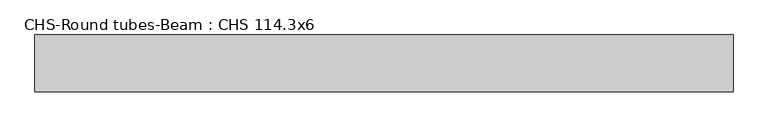
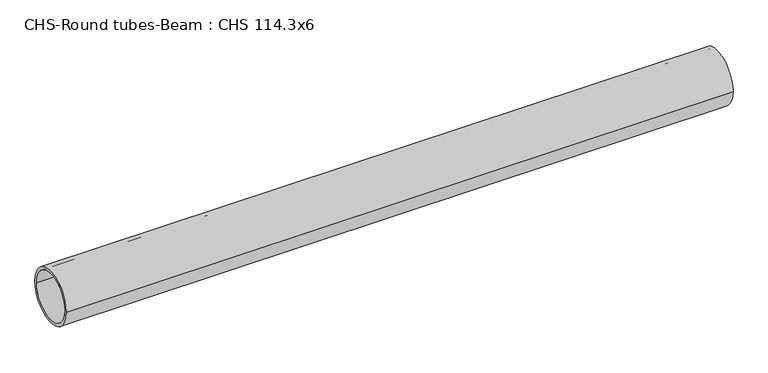
"""IFC4 building model written with IfcOpenShell, lengths in millimetres: beam geometry, CHS-Round tubes-Beam : CHS 114.3x6."""

from ifc_helpers import new_model, si_unit, point, frame, origin, origin_2d, place, context, project, spatial, circle_curve, trimmed, segment, composite_curve, outline, extrude, source, transform, mapped, element, save


def chs_round_tubes_beam_chs_114_3x6_1c967b22(model_context):
    return source(origin(), model_context, "Body", "SweptSolid", [
        extrude(outline(composite_curve([segment(trimmed(circle_curve(origin_2d(), 57.15), [point((57.15, 0.0))], [point((-57.15, 0.0))], False, "CARTESIAN"), True, "CONTINUOUS"), segment(trimmed(circle_curve(origin_2d(), 57.15), [point((-57.15, 0.0))], [point((57.15, 0.0))], False, "CARTESIAN"), True, "CONTINUOUS")], self_intersect=False), holes=[composite_curve([segment(trimmed(circle_curve(origin_2d(), 51.15), [point((51.15, 0.0))], [point((-51.15, 0.0))], True, "CARTESIAN"), True, "CONTINUOUS"), segment(trimmed(circle_curve(origin_2d(), 51.15), [point((-51.15, 0.0))], [point((51.15, 0.0))], True, "CARTESIAN"), True, "CONTINUOUS")], self_intersect=False)]), frame((-700.9438624, 0.0, 0.0), z_axis=(1.0, 0.0, 0.0), x_axis=(0.0, 1.0, 0.0)), (0.0, 0.0, 1.0), 1401.8097228),
    ])


if __name__ == "__main__":
    model = new_model("IFC4")
    model_context = context("Model", 3, world=origin())
    ifc_project = project(units=[si_unit("LENGTHUNIT", "METRE", prefix="MILLI")], contexts=[model_context])
    site = spatial("IfcSite", under=ifc_project)
    building = spatial("IfcBuilding", under=site)
    placement = place(None, origin())
    chs_round_tubes_beam_chs_114_3x6_shape = chs_round_tubes_beam_chs_114_3x6_1c967b22(model_context)
    element("IfcBeam", 1, ObjectType="CHS-Round tubes-Beam : CHS 114.3x6", at=placement, inside=building, context=model_context, shape_type="MappedRepresentation", body=[
        mapped(chs_round_tubes_beam_chs_114_3x6_shape, transform((0.0, 0.0, 0.0), x_axis=(1.0, 0.0, 0.0), y_axis=(0.0, 1.0, 0.0), z_axis=(0.0, 0.0, 1.0))),
    ])
    save(model, "model.ifc")
